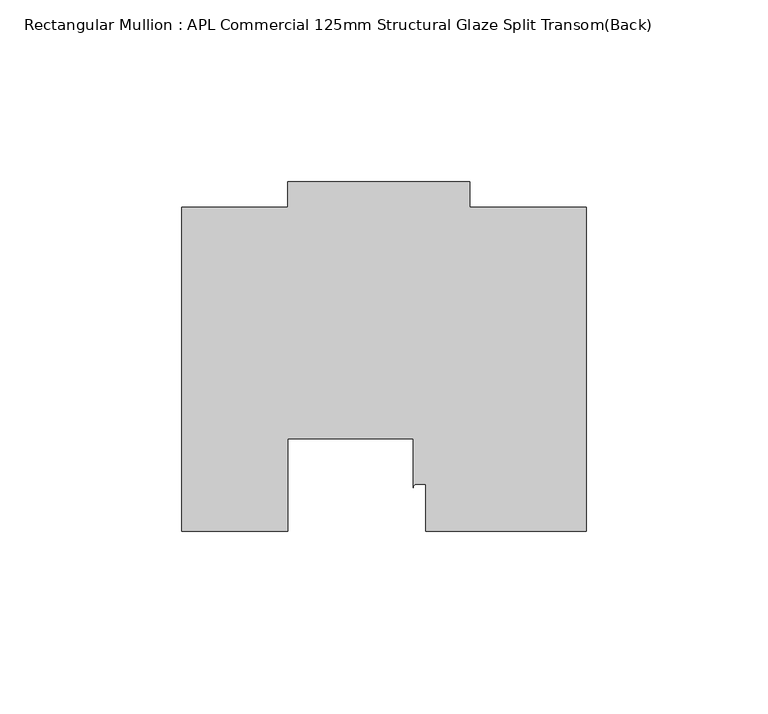
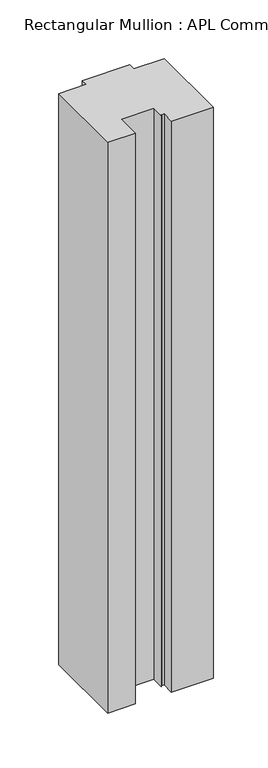
"""IFC4 building model written with IfcOpenShell, lengths in millimetres: member geometry, Rectangular Mullion : APL Commercial 125mm Structural Glaze Split Transom(Back)."""

from ifc_helpers import new_model, si_unit, point, frame, frame_2d, origin, place, context, project, spatial, polyline, circle_curve, trimmed, segment, composite_curve, outline, extrude, source, transform, mapped, element, save


def rectangular_mullion_apl_commercial_125mm_structural_glaze_f0bcf22a(model_context):
    return source(origin(), model_context, "Body", "SweptSolid", [
        extrude(outline(composite_curve([segment(polyline([(54.0000029, 15.0004617), (10.0000029, 15.0004617), (10.0000029, 28.0002131), (7.5000029, 28.0002131)]), True, "CONTINUOUS"), segment(trimmed(circle_curve(frame_2d((7.5000029, 27.0002131)), 1.0), [point((7.5000029, 28.0002131))], [point((6.5000029, 27.0002131))], True, "CARTESIAN"), True, "CONTINUOUS"), segment(polyline([(6.5000029, 27.0002131), (6.5000029, 40.499932), (-28.0000482, 40.499932), (-28.0000482, 15.0001793), (-57.0000004, 15.0001793), (-57.0000004, 103.9999439), (-27.9971154, 103.9999439), (-27.9971154, 111.0), (22.0028846, 111.0), (22.0028846, 104.0), (54.0000029, 104.0), (54.0000029, 15.0004617)]), True, "CONTINUOUS")], self_intersect=False)), frame((0.0, 0.0, -635.1422625), z_axis=(0.0, 0.0, 1.0), x_axis=(1.0, 0.0, 0.0)), (0.0, 0.0, 1.0), 635.1422625),
    ])


if __name__ == "__main__":
    model = new_model("IFC4")
    model_context = context("Model", 3, world=origin())
    ifc_project = project(units=[si_unit("LENGTHUNIT", "METRE", prefix="MILLI")], contexts=[model_context])
    site = spatial("IfcSite", under=ifc_project)
    building = spatial("IfcBuilding", under=site)
    placement = place(None, origin())
    rectangular_mullion_apl_commercial_125mm_structural_glaze_shape = rectangular_mullion_apl_commercial_125mm_structural_glaze_f0bcf22a(model_context)
    element("IfcMember", 1, ObjectType="Rectangular Mullion : APL Commercial 125mm Structural Glaze Split Transom(Back)", at=placement, inside=building, context=model_context, shape_type="MappedRepresentation", body=[
        mapped(rectangular_mullion_apl_commercial_125mm_structural_glaze_shape, transform((0.0, 0.0, 0.0), x_axis=(1.0, 0.0, 0.0), y_axis=(0.0, 1.0, 0.0), z_axis=(0.0, 0.0, 1.0))),
    ])
    save(model, "model.ifc")
